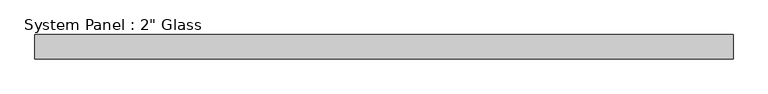
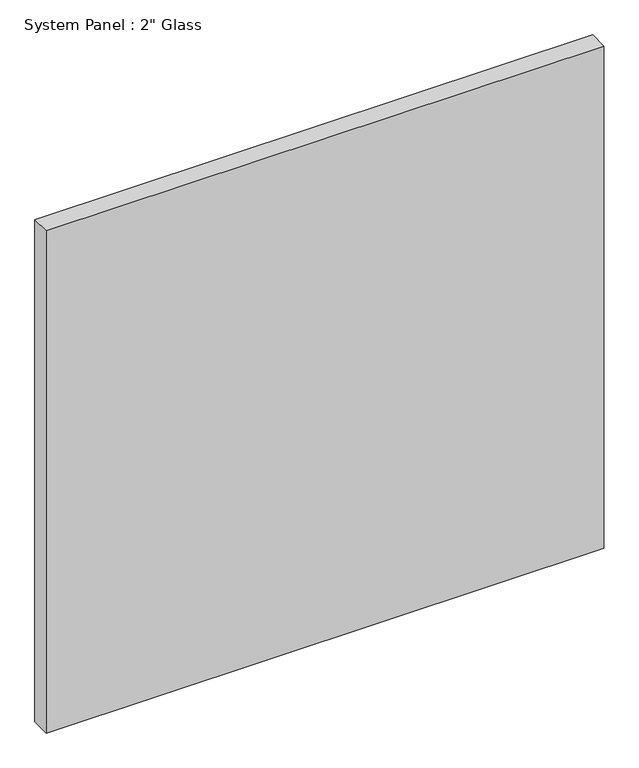
"""IFC4 building model written with IfcOpenShell, lengths in millimetres: plate geometry."""

from ifc_helpers import new_model, si_unit, origin, origin_with_axes, place, context, project, spatial, polyline, outline, extrude, source, transform, mapped, element, save


def plate_722dd57c(model_context):
    return source(origin(), model_context, "Body", "SweptSolid", [
        extrude(outline(polyline([(729.2430865, -25.4), (-729.2430865, -25.4), (-729.2430865, 25.4), (729.2430865, 25.4), (729.2430865, -25.4)])), origin_with_axes(), (0.0, 0.0, 1.0), 1388.8591382),
    ])


if __name__ == "__main__":
    model = new_model("IFC4")
    model_context = context("Model", 3, world=origin())
    ifc_project = project(units=[si_unit("LENGTHUNIT", "METRE", prefix="MILLI")], contexts=[model_context])
    site = spatial("IfcSite", under=ifc_project)
    building = spatial("IfcBuilding", under=site)
    placement = place(None, origin())
    plate_shape = plate_722dd57c(model_context)
    element("IfcPlate", 1, ObjectType="System Panel : 2\" Glass", at=placement, inside=building, context=model_context, shape_type="MappedRepresentation", body=[
        mapped(plate_shape, transform((0.0, 0.0, 0.0), x_axis=(1.0, 0.0, 0.0), y_axis=(0.0, 1.0, 0.0), z_axis=(0.0, 0.0, 1.0))),
    ])
    save(model, "model.ifc")
